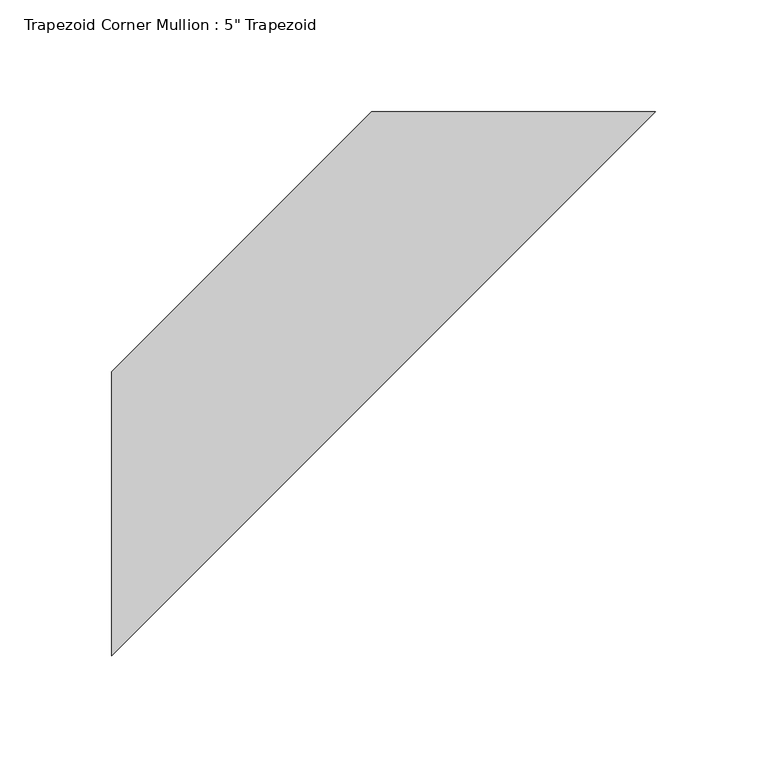
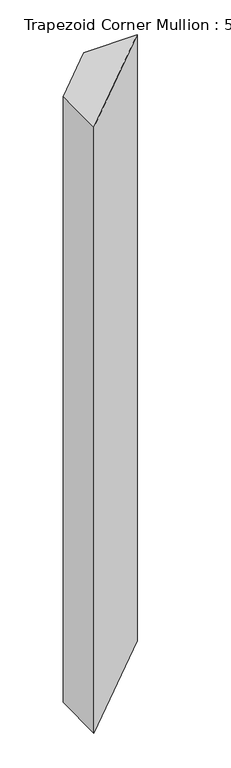
"""IFC4 building model written with IfcOpenShell, lengths in millimetres: member geometry."""

import ifcopenshell
import ifcopenshell.guid

model = None  # the IFC model being written
_history = None  # IfcOwnerHistory: only IFC2X3 demands one
_inside = {}  # id of a spatial element -> (the spatial element, [elements in it])
_under = {}  # id of a project, library or spatial element -> (it, [spatial elements below it])
_declared = {}  # id of a project -> (the project, [libraries it declares])
_typed = {}  # id of a type object -> (the type object, [elements of that type])
_made_of = {}  # id of a material, layer set ... -> (it, [elements and type objects made of it])


def new_model(schema):
    """Start an empty IFC model of exactly this schema.

    Asked for "IFC4X3", IfcOpenShell would pick the latest addendum, in which some entities
    have other attributes; the version numbers below select the first issue.
    IFC2X3 requires an IfcOwnerHistory on every rooted entity: one is made here for all.
    """
    global model, _history
    if schema == "IFC4X3":
        model = ifcopenshell.file(schema_version=(4, 3, 0, 0))
    else:
        model = ifcopenshell.file(schema=schema)
    _inside.clear()
    _under.clear()
    _declared.clear()
    _typed.clear()
    _made_of.clear()
    _history = None
    if model.schema == "IFC2X3":
        org = make("IfcOrganization", Name="unknown")
        user = make(
            "IfcPersonAndOrganization",
            ThePerson=make("IfcPerson", FamilyName="unknown"),
            TheOrganization=org,
        )
        app = make(
            "IfcApplication",
            ApplicationDeveloper=org,
            Version="unknown",
            ApplicationFullName="unknown",
            ApplicationIdentifier="unknown",
        )
        _history = make(
            "IfcOwnerHistory",
            OwningUser=user,
            OwningApplication=app,
            ChangeAction="ADDED",
            CreationDate=0,
        )
    return model


def make(cls, **values):
    """One entity of the class cls with the attributes given. An attribute that is None is left unset."""
    return model.create_entity(
        cls, **{name: value for name, value in values.items() if value is not None}
    )


def rooted(cls, **values):
    """An entity with a GlobalId (a new one), such as an element, a storey or a relation."""
    return make(cls, GlobalId=ifcopenshell.guid.new(), OwnerHistory=_history, **values)


def si_unit(unit_type, name, prefix=None):
    """IfcSIUnit, for example si_unit("LENGTHUNIT", "METRE", prefix="MILLI")."""
    return make("IfcSIUnit", UnitType=unit_type, Prefix=prefix, Name=name)


def assignment(units):
    """IfcUnitAssignment: the units of a project."""
    return None if units is None else make("IfcUnitAssignment", Units=units)


def point(xyz):
    """IfcCartesianPoint."""
    return None if xyz is None else make("IfcCartesianPoint", Coordinates=xyz)


def direction(xyz):
    """IfcDirection."""
    return None if xyz is None else make("IfcDirection", DirectionRatios=xyz)


def frame(location, z_axis=None, x_axis=None):
    """IfcAxis2Placement3D, a coordinate frame: its origin and axes. An axis left out is left unset."""
    return make(
        "IfcAxis2Placement3D",
        Location=point(location),
        Axis=direction(z_axis),
        RefDirection=direction(x_axis),
    )


def origin():
    """The frame at (0, 0, 0) with its axes left unset."""
    return frame((0.0, 0.0, 0.0))


def place(relative_to, where):
    """IfcLocalPlacement: puts the frame where relative to a parent placement (None: the world)."""
    return make(
        "IfcLocalPlacement", PlacementRelTo=relative_to, RelativePlacement=where
    )


def context(
    kind, dimensions, precision=None, world=None, true_north=None, identifier=None
):
    """IfcGeometricRepresentationContext, for example the 3D "Model" context."""
    return make(
        "IfcGeometricRepresentationContext",
        ContextIdentifier=identifier,
        ContextType=kind,
        CoordinateSpaceDimension=dimensions,
        Precision=precision,
        WorldCoordinateSystem=world,
        TrueNorth=true_north,
    )


def project(units=None, contexts=None):
    """IfcProject with its units and contexts."""
    return rooted(
        "IfcProject",
        Name="project",
        RepresentationContexts=contexts,
        UnitsInContext=assignment(units),
    )


def spatial(cls, under=None, at=None, **own):
    """A site, building, storey or space (cls), placed at a placement, below another one or the project."""
    s = rooted(cls, ObjectPlacement=at, **own)
    if under is not None:
        _under.setdefault(under.id(), (under, []))[1].append(s)
    return s


def polyline(points):
    """IfcPolyline through the points."""
    return make("IfcPolyline", Points=[point(p) for p in points])


def outline(outer, holes=None, kind="AREA"):
    """IfcArbitraryClosedProfileDef: a profile drawn as a closed curve; with holes, ...WithVoids."""
    if holes is None:
        return make("IfcArbitraryClosedProfileDef", ProfileType=kind, OuterCurve=outer)
    return make(
        "IfcArbitraryProfileDefWithVoids",
        ProfileType=kind,
        OuterCurve=outer,
        InnerCurves=holes,
    )


def extrude(swept, where, along, depth):
    """IfcExtrudedAreaSolid: the profile swept, set in the frame where, extruded along a direction by depth."""
    return make(
        "IfcExtrudedAreaSolid",
        SweptArea=swept,
        Position=where,
        ExtrudedDirection=direction(along),
        Depth=depth,
    )


def shape(context_of_items, identifier, shape_type, items):
    """IfcShapeRepresentation: the items that make up one representation, for example the "Body"."""
    return make(
        "IfcShapeRepresentation",
        ContextOfItems=context_of_items,
        RepresentationIdentifier=identifier,
        RepresentationType=shape_type,
        Items=items,
    )


def source(mapping_origin, context_of_items, identifier, shape_type, items):
    """IfcRepresentationMap: a shape defined once, which mapped items show again and again."""
    return make(
        "IfcRepresentationMap",
        MappingOrigin=mapping_origin,
        MappedRepresentation=shape(context_of_items, identifier, shape_type, items),
    )


def transform(
    local_origin,
    x_axis=None,
    y_axis=None,
    z_axis=None,
    scale=None,
    scale2=None,
    scale3=None,
    uniform=True,
):
    """IfcCartesianTransformationOperator3D, or its non-uniform kind. x_axis, y_axis, z_axis: its Axis1, 2, 3."""
    if uniform:
        return make(
            "IfcCartesianTransformationOperator3D",
            Axis1=direction(x_axis),
            Axis2=direction(y_axis),
            LocalOrigin=point(local_origin),
            Scale=scale,
            Axis3=direction(z_axis),
        )
    return make(
        "IfcCartesianTransformationOperator3DnonUniform",
        Axis1=direction(x_axis),
        Axis2=direction(y_axis),
        LocalOrigin=point(local_origin),
        Scale=scale,
        Axis3=direction(z_axis),
        Scale2=scale2,
        Scale3=scale3,
    )


def mapped(mapping_source, mapping_target):
    """IfcMappedItem: shows the shape of a source again, moved by a transform."""
    return make(
        "IfcMappedItem", MappingSource=mapping_source, MappingTarget=mapping_target
    )


def made_of(thing, what):
    """Note that an element or type object is made of a material, layer set ...; save() writes the relation."""
    if what is not None:
        _made_of.setdefault(what.id(), (what, []))[1].append(thing)
    return thing


def element(
    cls,
    number,
    at=None,
    inside=None,
    cuts=None,
    type_object=None,
    material=None,
    context=None,
    identifier="Body",
    shape_type=None,
    held_by="IfcProductDefinitionShape",
    body=None,
    shapes=None,
    **own,
):
    """One element of the class cls, such as IfcWall. Its Tag is "e" and its number.

    at: its placement. inside: the storey or other place that contains it. cuts: it is an
    opening in that element (IfcRelVoidsElement). A single representation is given by context,
    identifier, shape_type and body (its items); several are given by shapes. held_by: the class
    of the entity that holds the representations. save() writes the other relations.
    """
    e = rooted(cls, Tag="e%d" % number, ObjectPlacement=at, **own)
    if body is not None:
        shapes = [shape(context, identifier, shape_type, body)]
    if shapes is not None:
        e.Representation = make(held_by, Representations=shapes)
    if inside is not None:
        _inside.setdefault(inside.id(), (inside, []))[1].append(e)
    if cuts is not None:
        rooted(
            "IfcRelVoidsElement", RelatingBuildingElement=cuts, RelatedOpeningElement=e
        )
    if type_object is not None:
        _typed.setdefault(type_object.id(), (type_object, []))[1].append(e)
    return made_of(e, material)


def aggregate(whole, parts):
    """IfcRelAggregates: a whole, such as a stair, and the parts it consists of."""
    return rooted("IfcRelAggregates", RelatingObject=whole, RelatedObjects=parts)


def save(model, path):
    """Write the relations noted so far, then the file.

    IfcRelAggregates (storeys below a building ...), IfcRelContainedInSpatialStructure (elements
    in a storey), IfcRelDefinesByType, IfcRelAssociatesMaterial and IfcRelDeclares: one each for
    every whole, place, type object, material and project.
    """
    for whole, parts in _under.values():
        aggregate(whole, parts)
    for where, things in _inside.values():
        rooted(
            "IfcRelContainedInSpatialStructure",
            RelatedElements=things,
            RelatingStructure=where,
        )
    for kind, things in _typed.values():
        rooted("IfcRelDefinesByType", RelatedObjects=things, RelatingType=kind)
    for what, things in _made_of.values():
        rooted("IfcRelAssociatesMaterial", RelatedObjects=things, RelatingMaterial=what)
    for by, libraries in _declared.values():
        rooted("IfcRelDeclares", RelatingContext=by, RelatedDefinitions=libraries)
    model.write(path)


def member_2800e36e(model_context):
    return source(origin(), model_context, "Body", "SweptSolid", [
        extrude(outline(polyline([(-63.5, 179.6051224), (63.5, 179.6051224), (-179.6051224, -63.5), (-179.6051224, 63.5), (-63.5, 179.6051224)])), frame((0.0, 0.0, -1524.0), z_axis=(0.0, 0.0, 1.0), x_axis=(1.0, 0.0, 0.0)), (0.0, 0.0, 1.0), 1524.0),
    ])


if __name__ == "__main__":
    model = new_model("IFC4")
    model_context = context("Model", 3, world=origin())
    ifc_project = project(units=[si_unit("LENGTHUNIT", "METRE", prefix="MILLI")], contexts=[model_context])
    site = spatial("IfcSite", under=ifc_project)
    building = spatial("IfcBuilding", under=site)
    placement = place(None, origin())
    member_shape = member_2800e36e(model_context)
    element("IfcMember", 1, ObjectType="Trapezoid Corner Mullion : 5\" Trapezoid", at=placement, inside=building, context=model_context, shape_type="MappedRepresentation", body=[
        mapped(member_shape, transform((0.0, 0.0, 0.0), x_axis=(1.0, 0.0, 0.0), y_axis=(0.0, 1.0, 0.0), z_axis=(0.0, 0.0, 1.0))),
    ])
    save(model, "model.ifc")
